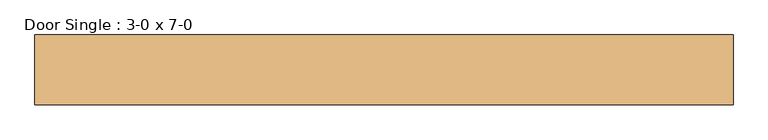
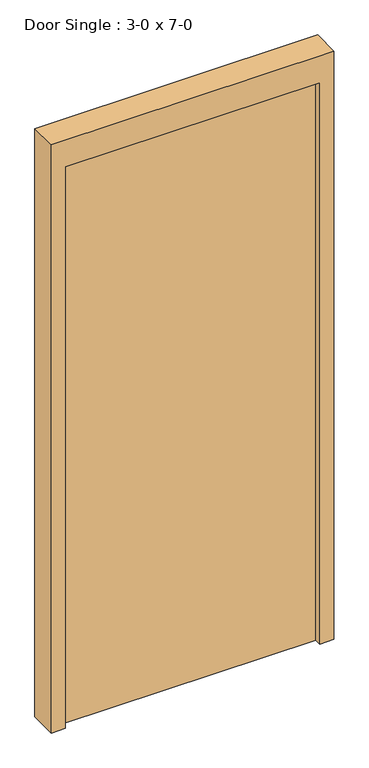
"""IFC4 building model written with IfcOpenShell, lengths in millimetres: door geometry, Door Single : 3-0 x 7-0."""

from ifc_helpers import new_model, si_unit, frame, origin, origin_with_axes, place, context, project, spatial, polyline, outline, extrude, source, transform, mapped, element, save


def door_single_3_0_x_7_0_8222587a(model_context):
    return source(origin(), model_context, "Body", "SweptSolid", [
        extrude(outline(polyline([(2133.6, 457.2), (0.0, 457.2), (0.0, 508.0), (2235.2, 508.0), (2235.2, -508.0), (0.0, -508.0), (0.0, -457.2), (2133.6, -457.2), (2133.6, 457.2)])), frame((0.0, -25.4, 0.0), z_axis=(0.0, 1.0, 0.0), x_axis=(0.0, 0.0, 1.0)), (0.0, 0.0, 1.0), 101.6),
        extrude(outline(polyline([(457.2, 0.0), (-457.2, 0.0), (-457.2, 50.8), (457.2, 50.8), (457.2, 0.0)])), origin_with_axes(), (0.0, 0.0, 1.0), 2133.6),
    ])


if __name__ == "__main__":
    model = new_model("IFC4")
    model_context = context("Model", 3, world=origin())
    ifc_project = project(units=[si_unit("LENGTHUNIT", "METRE", prefix="MILLI")], contexts=[model_context])
    site = spatial("IfcSite", under=ifc_project)
    building = spatial("IfcBuilding", under=site)
    placement = place(None, origin())
    door_single_3_0_x_7_0_shape = door_single_3_0_x_7_0_8222587a(model_context)
    element("IfcDoor", 1, ObjectType="Door Single : 3-0 x 7-0", at=placement, inside=building, context=model_context, shape_type="MappedRepresentation", body=[
        mapped(door_single_3_0_x_7_0_shape, transform((0.0, 0.0, 0.0), x_axis=(1.0, 0.0, 0.0), y_axis=(0.0, 1.0, 0.0), z_axis=(0.0, 0.0, 1.0))),
    ])
    save(model, "model.ifc")
